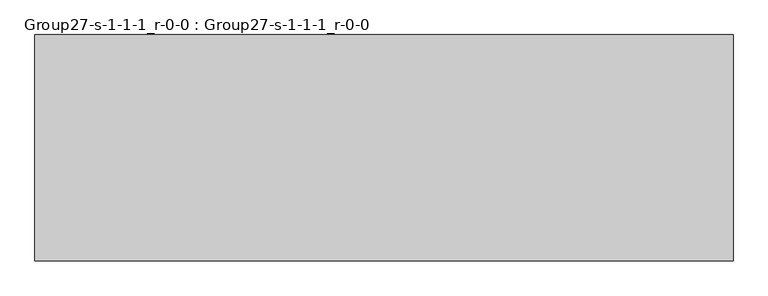
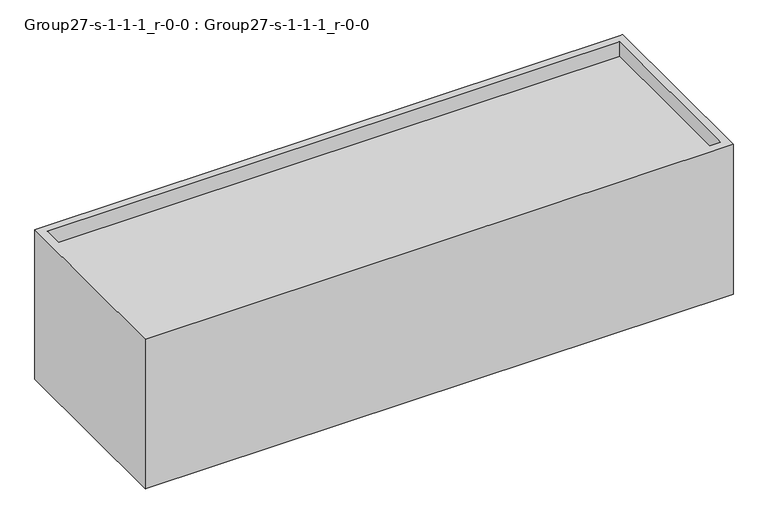
"""IFC4 building model written with IfcOpenShell, lengths in millimetres: geographic element geometry, Group27-s-1-1-1_r-0-0 : Group27-s-1-1-1_r-0-0."""

from ifc_helpers import new_model, si_unit, origin, place, context, project, spatial, triangles, source, transform, mapped, element, save


def group27_s_1_1_1_r_0_0_group27_s_1_1_1_r_0_0_4c702fca(model_context):
    return source(origin(), model_context, "Body", "Tessellation", [
        triangles([(16976.7253876, 7585.0748062, 0.0), (16976.7253876, 0.0, 6296.025), (16976.7253876, 0.0, 0.0), (16976.7253876, 7585.0748062, 6296.025), (16671.9253876, 7280.2748062, 6296.025), (16671.9253876, 304.8, 5686.425), (16671.9253876, 304.8, 6296.025), (16671.9253876, 7280.2748062, 5686.425), (-6402.3429291, 7585.0748062, 6296.025), (-6402.3429291, 0.0, 0.0), (-6402.3429291, 0.0, 6296.025), (-6402.3429291, 7585.0748062, 0.0), (-6097.5429291, 7280.2748062, 5686.425), (-6097.5429291, 7280.2748062, 6296.025), (-6097.5429291, 304.8, 6296.025), (-6097.5429291, 304.8, 5686.425)], [[1, 2, 3], [2, 1, 4], [5, 6, 7], [6, 5, 8], [9, 10, 11], [10, 9, 12], [5, 13, 8], [13, 5, 14], [2, 10, 3], [10, 2, 11], [9, 1, 12], [1, 9, 4], [1, 10, 12], [10, 1, 3], [11, 15, 9], [15, 11, 2], [15, 2, 7], [7, 2, 5], [9, 14, 4], [14, 9, 15], [4, 14, 5], [4, 5, 2], [13, 15, 16], [15, 13, 14], [15, 6, 16], [6, 15, 7], [6, 13, 16], [13, 6, 8]]),
    ])


if __name__ == "__main__":
    model = new_model("IFC4")
    model_context = context("Model", 3, world=origin())
    ifc_project = project(units=[si_unit("LENGTHUNIT", "METRE", prefix="MILLI")], contexts=[model_context])
    site = spatial("IfcSite", under=ifc_project)
    building = spatial("IfcBuilding", under=site)
    placement = place(None, origin())
    group27_s_1_1_1_r_0_0_group27_s_1_1_1_r_0_0_shape = group27_s_1_1_1_r_0_0_group27_s_1_1_1_r_0_0_4c702fca(model_context)
    element("IfcGeographicElement", 1, ObjectType="Group27-s-1-1-1_r-0-0 : Group27-s-1-1-1_r-0-0", at=placement, inside=building, context=model_context, shape_type="MappedRepresentation", body=[
        mapped(group27_s_1_1_1_r_0_0_group27_s_1_1_1_r_0_0_shape, transform((0.0, 0.0, 0.0), x_axis=(1.0, 0.0, 0.0), y_axis=(0.0, 1.0, 0.0), z_axis=(0.0, 0.0, 1.0))),
    ])
    save(model, "model.ifc")
